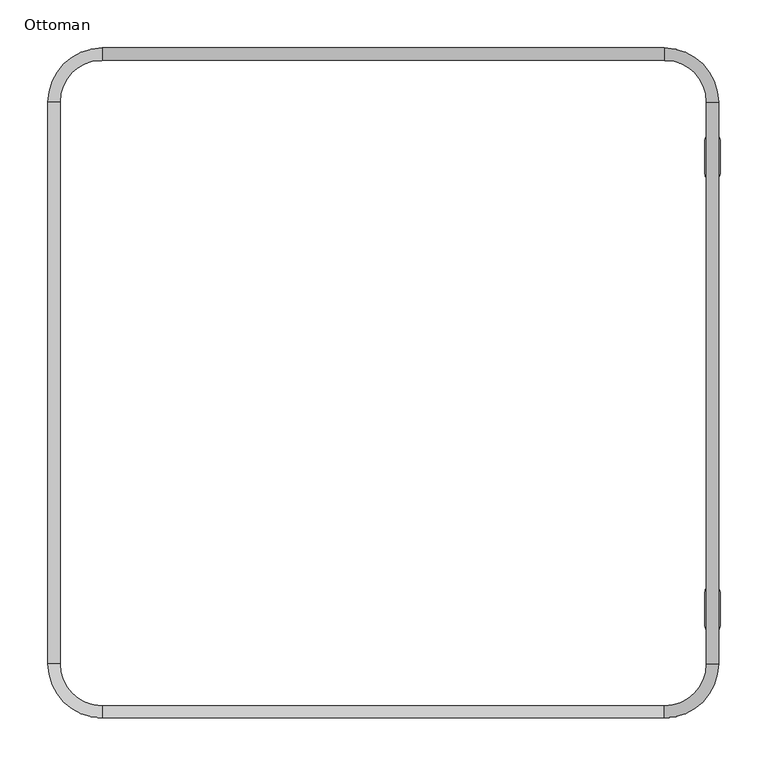
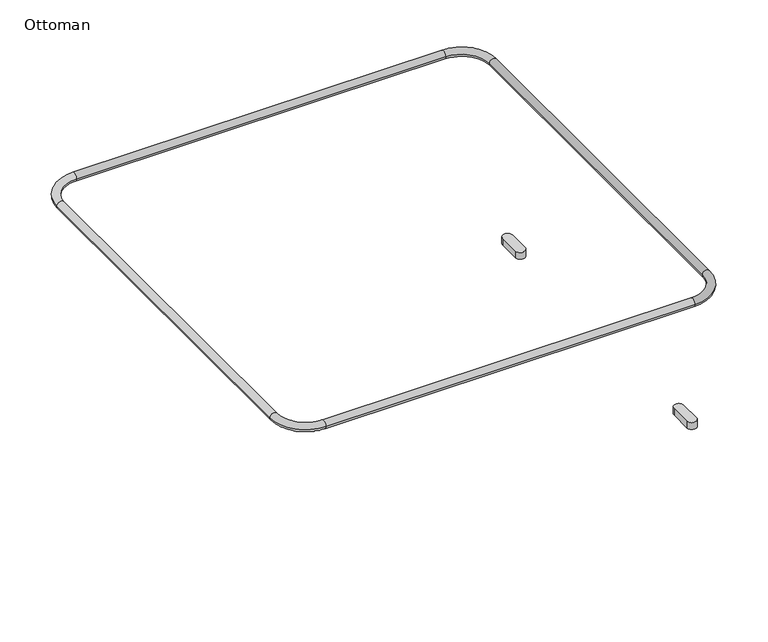
"""IFC4 building model written with IfcOpenShell, lengths in millimetres: furniture geometry, Ottoman."""

from ifc_helpers import new_model, si_unit, point, frame, frame_2d, origin, origin_with_axes, place, context, project, spatial, polyline, circle_curve, ellipse_curve, trimmed, segment, composite_curve, outline, extrude, source, transform, mapped, element, save
from ifc_brep_helpers import cylinder_surface, revolved_surface, advanced_brep


def ottoman_e4fe47c9(model_context):
    return source(origin(), model_context, "Body", "SolidModel", [
        advanced_brep(
        [(-222.2928855, -118.2546525, 280.1257248), (-178.6052086, -161.9423511, 280.1257248), (-178.6052149, -174.6423511, 280.1257248), (-234.9928855, -118.2546525, 280.1257248), (-234.9928855, 467.4765547, 280.1257248), (-222.2928855, 467.4765547, 280.1257248), (-178.6051627, 511.1642533, 280.1257248), (-178.6051557, 523.8642533, 280.1257248), (407.2052182, 523.8639286, 280.1257248), (407.2052111, 511.1639286, 280.1257248), (450.8928855, 467.47623, 280.1257248), (463.5928855, 467.47623, 280.1257248), (463.5928855, -118.2736589, 280.1257248), (450.8928855, -118.2736589, 280.1257248), (407.223881, -161.9426418, 280.1257248), (407.2238747, -174.6426418, 280.1257248)],
        [
            (0, 1, circle_curve(frame((-178.6051869, -118.2546525, 280.1257248), z_axis=(0.0, 0.0, 1.0), x_axis=(-4.9615195323852e-07, -0.9999999999998769, 0.0)), 43.6876986)),
            (1, 2, circle_curve(frame((-178.6052117, -168.2923511, 280.1257248), z_axis=(-0.9999999999998769, 4.961519532385202e-07, 0.0), x_axis=(4.961519532385202e-07, 0.9999999999998769, 0.0)), 6.35)),
            (2, 3, circle_curve(frame((-178.6051869, -118.2546525, 280.1257248), z_axis=(0.0, 0.0, -1.0), x_axis=(-4.9615195323852e-07, -0.9999999999998769, 0.0)), 56.3876986)),
            (3, 0, circle_curve(frame((-228.6428855, -118.2546525, 280.1257248), z_axis=(0.0, -0.9999999999999999, 0.0), x_axis=(0.9999999999999999, 0.0, 0.0)), 6.35)),
            (2, 1, circle_curve(frame((-178.6052117, -168.2923511, 280.1257248), z_axis=(-0.9999999999998769, 4.961519532385202e-07, 0.0), x_axis=(4.961519532385202e-07, 0.9999999999998769, 0.0)), 6.35)),
            (0, 3, circle_curve(frame((-228.6428855, -118.2546525, 280.1257248), z_axis=(0.0, -0.9999999999999999, 0.0), x_axis=(0.9999999999999999, 0.0, 0.0)), 6.35)),
            (3, 4),
            (4, 5, circle_curve(frame((-228.6428855, 467.4765547, 280.1257248), z_axis=(0.0, -1.0, 0.0), x_axis=(1.0, 0.0, 0.0)), 6.35)),
            (5, 0),
            (5, 4, circle_curve(frame((-228.6428855, 467.4765547, 280.1257248), z_axis=(0.0, -1.0, 0.0), x_axis=(1.0, 0.0, 0.0)), 6.35)),
            (6, 5, circle_curve(frame((-178.6051869, 467.4765547, 280.1257248), z_axis=(0.0, 0.0, 1.0), x_axis=(-1.0, 0.0, 0.0)), 43.6876986)),
            (4, 7, circle_curve(frame((-178.6051869, 467.4765547, 280.1257248), z_axis=(0.0, 0.0, -1.0), x_axis=(-1.0, 0.0, 0.0)), 56.3876986)),
            (7, 6, circle_curve(frame((-178.6051592, 517.5142533, 280.1257248), z_axis=(-0.9999999999998463, 5.542947456965875e-07, 0.0), x_axis=(-5.542947456965875e-07, -0.9999999999998463, 0.0)), 6.35)),
            (6, 7, circle_curve(frame((-178.6051592, 517.5142533, 280.1257248), z_axis=(-0.9999999999998463, 5.542947525799703e-07, 0.0), x_axis=(-5.542947525799703e-07, -0.9999999999998463, 0.0)), 6.35)),
            (7, 8),
            (8, 9, circle_curve(frame((407.2052147, 517.5139286, 280.1257248), z_axis=(-0.9999999999998466, 5.542947481936179e-07, 0.0), x_axis=(-5.542947481936178e-07, -0.9999999999998463, 0.0)), 6.35)),
            (9, 6),
            (9, 8, circle_curve(frame((407.2052147, 517.5139286, 280.1257248), z_axis=(-0.9999999999998466, 5.542947481936179e-07, 0.0), x_axis=(-5.542947481936178e-07, -0.9999999999998463, 0.0)), 6.35)),
            (10, 9, circle_curve(frame((407.2051869, 467.47623, 280.1257248), z_axis=(0.0, 0.0, 1.0), x_axis=(5.542947414777398e-07, 0.9999999999998463, 0.0)), 43.6876986)),
            (8, 11, circle_curve(frame((407.2051869, 467.47623, 280.1257248), z_axis=(0.0, 0.0, -1.0), x_axis=(5.542947414777398e-07, 0.9999999999998463, 0.0)), 56.3876986)),
            (11, 10, circle_curve(frame((457.2428855, 467.47623, 280.1257248), z_axis=(0.0, 0.9999999999999999, 0.0), x_axis=(-0.9999999999999999, 0.0, 0.0)), 6.35)),
            (10, 11, circle_curve(frame((457.2428855, 467.47623, 280.1257248), z_axis=(0.0, 0.9999999999999999, 0.0), x_axis=(-0.9999999999999999, 0.0, 0.0)), 6.35)),
            (11, 12),
            (12, 13, circle_curve(frame((457.2428855, -118.2736589, 280.1257248), z_axis=(0.0, 1.0, 0.0), x_axis=(-1.0, 0.0, 0.0)), 6.35)),
            (13, 10),
            (13, 12, circle_curve(frame((457.2428855, -118.2736589, 280.1257248), z_axis=(0.0, 1.0, 0.0), x_axis=(-1.0, 0.0, 0.0)), 6.35)),
            (14, 13, circle_curve(frame((407.2239027, -118.2736589, 280.1257248), z_axis=(0.0, 0.0, 1.0), x_axis=(1.0, 0.0, 0.0)), 43.6689829)),
            (12, 15, circle_curve(frame((407.2239027, -118.2736589, 280.1257248), z_axis=(0.0, 0.0, -1.0), x_axis=(1.0, 0.0, 0.0)), 56.3689829)),
            (15, 14, circle_curve(frame((407.2238779, -168.2926418, 280.1257248), z_axis=(0.9999999999998769, -4.961519516842082e-07, 0.0), x_axis=(4.961519516842082e-07, 0.9999999999998769, 0.0)), 6.35)),
            (14, 15, circle_curve(frame((407.2238779, -168.2926418, 280.1257248), z_axis=(0.9999999999998769, -4.961519487976284e-07, 0.0), x_axis=(4.961519487976284e-07, 0.9999999999998769, 0.0)), 6.35)),
            (15, 2),
            (1, 14),
        ],
        [
            revolved_surface(trimmed(ellipse_curve(frame((-178.6052117, -168.2923511, 280.1257248), z_axis=(0.9999999999998769, -4.961519532385202e-07, 0.0), x_axis=(4.961519532385202e-07, 0.9999999999998769, 0.0)), 6.35, 6.35), [point((-178.6052149, -174.6423511, 280.1257248))], [point((-178.6052086, -161.9423511, 280.1257248))], True, "CARTESIAN"), (-178.6051869, -118.2546525, 286.4380212), (0.0, 0.0, -1.0)),
            revolved_surface(trimmed(ellipse_curve(frame((-178.6052117, -168.2923511, 280.1257248), z_axis=(0.9999999999998769, -4.961519532385202e-07, 0.0), x_axis=(4.961519532385202e-07, 0.9999999999998769, 0.0)), 6.35, 6.35), [point((-178.6052086, -161.9423511, 280.1257248))], [point((-178.6052149, -174.6423511, 280.1257248))], True, "CARTESIAN"), (-178.6051869, -118.2546525, 286.4380212), (0.0, 0.0, -1.0)),
            cylinder_surface(frame((-228.6428855, -118.2546525, 280.1257248), z_axis=(0.0, -1.0, 0.0), x_axis=(1.0, 0.0, 0.0)), 6.35),
            revolved_surface(trimmed(ellipse_curve(frame((-228.6428855, 467.4765547, 280.1257248), z_axis=(0.0, -1.0, 0.0), x_axis=(1.0, 0.0, 0.0)), 6.35, 6.35), [point((-234.9928855, 467.4765547, 280.1257248))], [point((-222.2928855, 467.4765547, 280.1257248))], True, "CARTESIAN"), (-178.6051869, 467.4765547, 286.4380212), (0.0, 0.0, -1.0)),
            revolved_surface(trimmed(ellipse_curve(frame((-228.6428855, 467.4765547, 280.1257248), z_axis=(0.0, -1.0, 0.0), x_axis=(1.0, 0.0, 0.0)), 6.35, 6.35), [point((-222.2928855, 467.4765547, 280.1257248))], [point((-234.9928855, 467.4765547, 280.1257248))], True, "CARTESIAN"), (-178.6051869, 467.4765547, 286.4380212), (0.0, 0.0, -1.0)),
            cylinder_surface(frame((-178.6051592, 517.5142533, 280.1257248), z_axis=(-0.9999999999998463, 5.542947481936178e-07, 0.0), x_axis=(-5.542947481936178e-07, -0.9999999999998463, 0.0)), 6.35),
            revolved_surface(trimmed(ellipse_curve(frame((407.2052147, 517.5139286, 280.1257248), z_axis=(-0.9999999999998463, 5.542947414777407e-07, 0.0), x_axis=(-5.542947414777407e-07, -0.9999999999998463, 0.0)), 6.35, 6.35), [point((407.2052182, 523.8639286, 280.1257248))], [point((407.2052111, 511.1639286, 280.1257248))], True, "CARTESIAN"), (407.2051869, 467.47623, 286.4380212), (0.0, 0.0, -1.0)),
            revolved_surface(trimmed(ellipse_curve(frame((407.2052147, 517.5139286, 280.1257248), z_axis=(-0.9999999999998463, 5.542947414777407e-07, 0.0), x_axis=(-5.542947414777407e-07, -0.9999999999998463, 0.0)), 6.35, 6.35), [point((407.2052111, 511.1639286, 280.1257248))], [point((407.2052182, 523.8639286, 280.1257248))], True, "CARTESIAN"), (407.2051869, 467.47623, 286.4380212), (0.0, 0.0, -1.0)),
            cylinder_surface(frame((457.2428855, 467.47623, 280.1257248), z_axis=(0.0, 1.0, 0.0), x_axis=(-1.0, 0.0, 0.0)), 6.35),
            revolved_surface(trimmed(ellipse_curve(frame((457.2428855, -118.2736589, 280.1257248), z_axis=(0.0, 1.0, 0.0), x_axis=(-1.0, 0.0, 0.0)), 6.35, 6.35), [point((463.5928855, -118.2736589, 280.1257248))], [point((450.8928855, -118.2736589, 280.1257248))], True, "CARTESIAN"), (407.2239027, -118.2736589, 286.4380212), (0.0, 0.0, -1.0)),
            revolved_surface(trimmed(ellipse_curve(frame((457.2428855, -118.2736589, 280.1257248), z_axis=(0.0, 1.0, 0.0), x_axis=(-1.0, 0.0, 0.0)), 6.35, 6.35), [point((450.8928855, -118.2736589, 280.1257248))], [point((463.5928855, -118.2736589, 280.1257248))], True, "CARTESIAN"), (407.2239027, -118.2736589, 286.4380212), (0.0, 0.0, -1.0)),
            cylinder_surface(frame((407.2238779, -168.2926418, 280.1257248), z_axis=(0.9999999999998769, -4.961519501317688e-07, 0.0), x_axis=(4.961519501317688e-07, 0.9999999999998769, 0.0)), 6.35),
        ],
        [
            (0, [[1, 2, 3, 4]]),
            (1, [[-3, 5, -1, 6]]),
            (2, [[-4, 7, 8, 9]]),
            (2, [[-6, -9, 10, -7]]),
            (3, [[11, -8, 12, 13]]),
            (4, [[-12, -10, -11, 14]]),
            (5, [[-13, 15, 16, 17]]),
            (5, [[-14, -17, 18, -15]]),
            (6, [[19, -16, 20, 21]]),
            (7, [[-20, -18, -19, 22]]),
            (8, [[-21, 23, 24, 25]]),
            (8, [[-22, -25, 26, -23]]),
            (9, [[27, -24, 28, 29]]),
            (10, [[-28, -26, -27, 30]]),
            (11, [[-29, 31, -2, 32]]),
            (11, [[-30, -32, -5, -31]]),
        ],
    ),
        extrude(outline(composite_curve([segment(polyline([(465.1389076, 427.5654728), (465.1466041, 392.8721592)]), True, "CONTINUOUS"), segment(trimmed(circle_curve(frame_2d((457.2590888, 392.8704094)), 7.8875154), [point((465.1466041, 392.8721592))], [point((449.3715736, 392.8721387))], False, "CARTESIAN"), True, "CONTINUOUS"), segment(polyline([(449.3715736, 392.8721387), (449.3791795, 427.5654522)]), True, "CONTINUOUS"), segment(trimmed(circle_curve(frame_2d((457.2590435, 427.5637247)), 7.8798642), [point((449.3791795, 427.5654522))], [point((465.1389076, 427.5654728))], False, "CARTESIAN"), True, "CONTINUOUS")], self_intersect=False)), origin_with_axes(), (0.0, 0.0, 1.0), 11.1144914),
        extrude(outline(composite_curve([segment(polyline([(465.1468976, -43.6072238), (465.1391857, -78.3703547)]), True, "CONTINUOUS"), segment(trimmed(circle_curve(frame_2d((457.2593802, -78.3686066)), 7.8798056), [point((465.1391857, -78.3703547))], [point((449.3795748, -78.3703547))], False, "CARTESIAN"), True, "CONTINUOUS"), segment(polyline([(449.3795748, -78.3703547), (449.3718628, -43.6072238)]), True, "CONTINUOUS"), segment(trimmed(circle_curve(frame_2d((457.2593802, -43.605474)), 7.8875176), [point((449.3718628, -43.6072238))], [point((465.1468976, -43.6072238))], False, "CARTESIAN"), True, "CONTINUOUS")], self_intersect=False)), origin_with_axes(), (0.0, 0.0, 1.0), 11.1144914),
    ])


if __name__ == "__main__":
    model = new_model("IFC4")
    model_context = context("Model", 3, world=origin())
    ifc_project = project(units=[si_unit("LENGTHUNIT", "METRE", prefix="MILLI")], contexts=[model_context])
    site = spatial("IfcSite", under=ifc_project)
    building = spatial("IfcBuilding", under=site)
    placement = place(None, origin())
    ottoman_shape = ottoman_e4fe47c9(model_context)
    element("IfcFurniture", 1, ObjectType="Ottoman", at=placement, inside=building, context=model_context, shape_type="MappedRepresentation", body=[
        mapped(ottoman_shape, transform((0.0, 0.0, 0.0), x_axis=(1.0, 0.0, 0.0), y_axis=(0.0, 1.0, 0.0), z_axis=(0.0, 0.0, 1.0))),
    ])
    save(model, "model.ifc")
